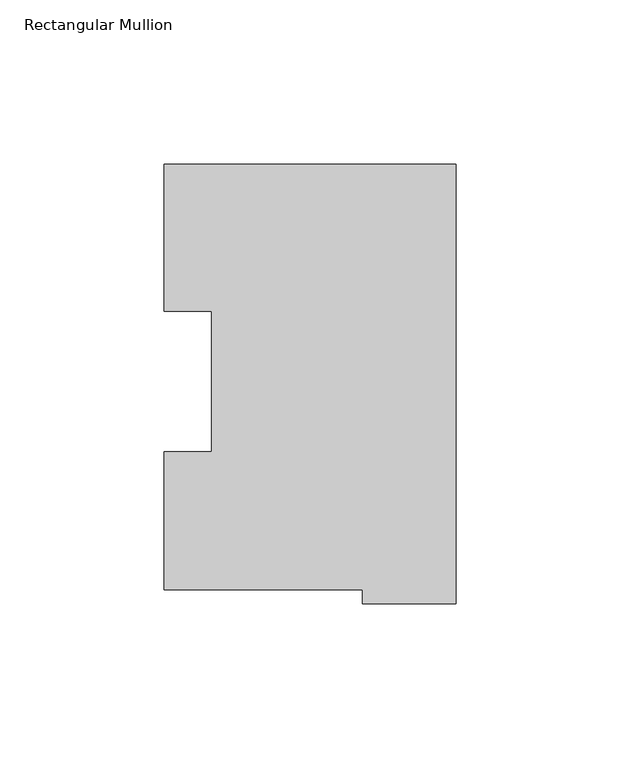
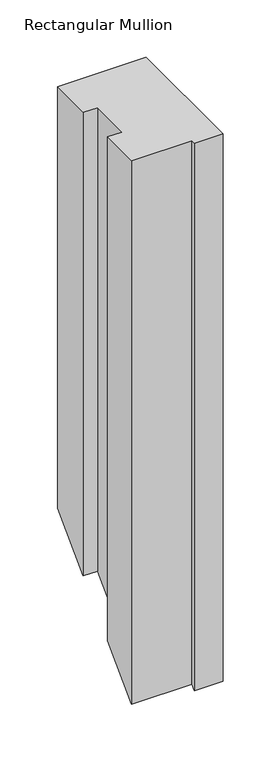
"""IFC4 building model written with IfcOpenShell, lengths in millimetres: member geometry, Rectangular Mullion."""

from ifc_helpers import new_model, si_unit, origin, place, context, project, spatial, faceted_brep, source, transform, mapped, element, save


def rectangular_mullion_4c26bc36(model_context):
    return source(origin(), model_context, "Body", "Brep", [
        faceted_brep([(-28.56992, 0.2428875, 0.0), (-28.56992, -3.9735125, 0.0), (0.0, -3.9735125, 0.0), (0.0, 130.0368875, 0.0), (-88.99652, 130.0368875, 0.0), (-88.99652, 85.1296875, 0.0), (-74.6252, 85.1296875, 0.0), (-74.6252, 42.2798875, 0.0), (-89.1408142, 42.2798875, 0.0), (-89.1408142, 0.2428875, 0.0), (-28.56992, 0.2428875, -577.6071125), (-28.56992, -3.9735125, -581.8235125), (0.0, -3.9735125, -581.8235125), (0.0, 130.0368875, -447.8131125), (-88.99652, 130.0368875, -447.8131125), (-88.99652, 85.1296875, -492.7203125), (-74.6252, 85.1296875, -492.7203125), (-74.6252, 42.2798875, -535.5701125), (-89.1408142, 42.2798875, -535.5701125), (-89.1408142, 0.2428875, -577.6071125)], [[[0, 1, 2, 3, 4, 5, 6, 7, 8, 9]], [[1, 0, 10, 11]], [[2, 1, 11, 12]], [[3, 2, 12, 13]], [[4, 3, 13, 14]], [[5, 4, 14, 15]], [[6, 5, 15, 16]], [[7, 6, 16, 17]], [[8, 7, 17, 18]], [[9, 8, 18, 19]], [[0, 9, 19, 10]], [[10, 19, 18, 17, 16, 15, 14, 13, 12, 11]]]),
    ])


if __name__ == "__main__":
    model = new_model("IFC4")
    model_context = context("Model", 3, world=origin())
    ifc_project = project(units=[si_unit("LENGTHUNIT", "METRE", prefix="MILLI")], contexts=[model_context])
    site = spatial("IfcSite", under=ifc_project)
    building = spatial("IfcBuilding", under=site)
    placement = place(None, origin())
    rectangular_mullion_shape = rectangular_mullion_4c26bc36(model_context)
    element("IfcMember", 1, ObjectType="Rectangular Mullion", at=placement, inside=building, context=model_context, shape_type="MappedRepresentation", body=[
        mapped(rectangular_mullion_shape, transform((0.0, 0.0, 0.0), x_axis=(1.0, 0.0, 0.0), y_axis=(0.0, 1.0, 0.0), z_axis=(0.0, 0.0, 1.0))),
    ])
    save(model, "model.ifc")
